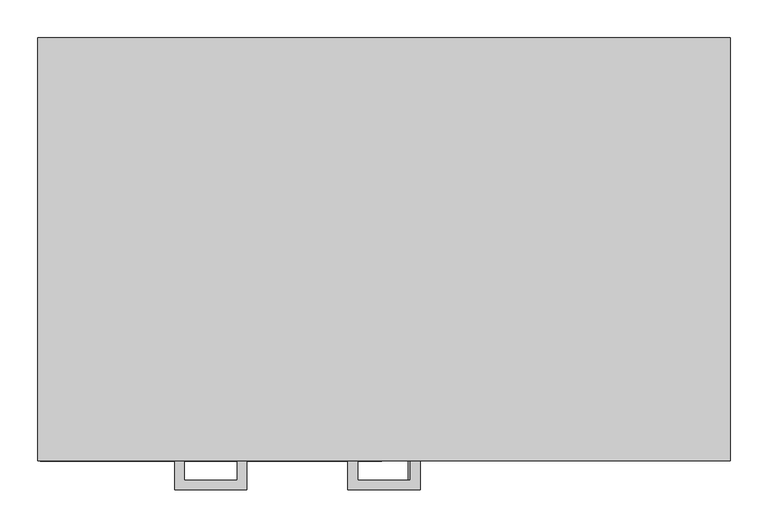
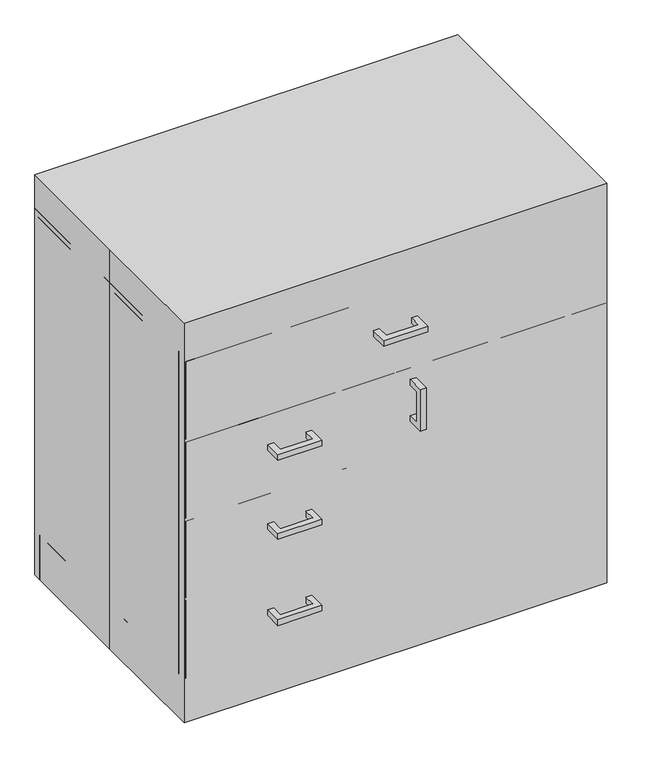
"""IFC4 building model written with IfcOpenShell, lengths in millimetres: proxy geometry."""

from ifc_helpers import new_model, si_unit, frame, origin, origin_with_axes, place, context, project, spatial, polyline, outline, extrude, source, transform, mapped, element, save


def specialty_equipment_6ad13286(model_context):
    return source(origin(), model_context, "Body", "SweptSolid", [
        extrude(outline(polyline([(-317.5, 614.3543692), (-279.4, 614.3543692), (-279.4, 601.6702991), (-304.8159299, 601.6702991), (-304.8159299, 531.7884392), (-279.4, 531.7884392), (-279.4, 519.1043692), (-317.5, 519.1043692), (-317.5, 614.3543692)])), frame((31.75, 0.0, 0.0), z_axis=(1.0, 0.0, 0.0), x_axis=(0.0, 1.0, 0.0)), (0.0, 0.0, 1.0), 12.7),
        extrude(outline(polyline([(-180.975, -317.5), (-276.225, -317.5), (-276.225, -279.4), (-263.5409299, -279.4), (-263.5409299, -304.8159299), (-193.6590701, -304.8159299), (-193.6590701, -279.4), (-180.975, -279.4), (-180.975, -317.5)])), frame((0.0, 0.0, 379.4125), z_axis=(0.0, 0.0, 1.0), x_axis=(1.0, 0.0, 0.0)), (0.0, 0.0, 1.0), 12.7),
        extrude(outline(polyline([(-180.975, -317.5), (-276.225, -317.5), (-276.225, -279.4), (-263.5409299, -279.4), (-263.5409299, -304.8159299), (-193.6590701, -304.8159299), (-193.6590701, -279.4), (-180.975, -279.4), (-180.975, -317.5)])), frame((0.0, 0.0, 560.3793692), z_axis=(0.0, 0.0, 1.0), x_axis=(1.0, 0.0, 0.0)), (0.0, 0.0, 1.0), 12.7),
        extrude(outline(polyline([(-180.975, -317.5), (-276.225, -317.5), (-276.225, -279.4), (-263.5409299, -279.4), (-263.5409299, -304.8159299), (-193.6590701, -304.8159299), (-193.6590701, -279.4), (-180.975, -279.4), (-180.975, -317.5)])), frame((0.0, 0.0, 182.5787617), z_axis=(0.0, 0.0, 1.0), x_axis=(1.0, 0.0, 0.0)), (0.0, 0.0, 1.0), 12.7),
        extrude(outline(polyline([(47.625, -317.5), (-47.625, -317.5), (-47.625, -279.4), (-34.9409299, -279.4), (-34.9409299, -304.8159299), (34.9409299, -304.8159299), (34.9409299, -279.4), (47.625, -279.4), (47.625, -317.5)])), frame((0.0, 0.0, 741.3462383), z_axis=(0.0, 0.0, 1.0), x_axis=(1.0, 0.0, 0.0)), (0.0, 0.0, 1.0), 12.7),
        extrude(outline(polyline([(-457.2, 279.4), (457.2, 279.4), (457.2, -279.4), (-457.2, -279.4), (-457.2, 0.0), (-457.2, 279.4)])), origin_with_axes(), (0.0, 0.0, 1.0), 914.4),
        extrude(outline(polyline([(438.15, 279.4), (438.15, -260.35), (-438.15, -260.35), (-438.15, 279.4), (438.15, 279.4)])), frame((0.0, 0.0, 120.7166954), z_axis=(0.0, 0.0, 1.0), x_axis=(1.0, 0.0, 0.0)), (0.0, 0.0, 1.0), 704.7507813),
        extrude(outline(polyline([(-3.175, -279.4), (-454.025, -279.4), (-454.025, -260.35), (-3.175, -260.35), (-3.175, -279.4)])), frame((0.0, 0.0, 285.7418692), z_axis=(0.0, 0.0, 1.0), x_axis=(1.0, 0.0, 0.0)), (0.0, 0.0, 1.0), 174.6168692),
        extrude(outline(polyline([(-3.175, -279.4), (-454.025, -279.4), (-454.025, -260.35), (-3.175, -260.35), (-3.175, -279.4)])), frame((0.0, 0.0, 466.7087383), z_axis=(0.0, 0.0, 1.0), x_axis=(1.0, 0.0, 0.0)), (0.0, 0.0, 1.0), 174.6168692),
        extrude(outline(polyline([(-3.175, -279.4), (-454.025, -279.4), (-454.025, -260.35), (-3.175, -260.35), (-3.175, -279.4)])), frame((0.0, 0.0, 101.6), z_axis=(0.0, 0.0, 1.0), x_axis=(1.0, 0.0, 0.0)), (0.0, 0.0, 1.0), 177.7918692),
        extrude(outline(polyline([(-438.15, 279.4), (-438.15, -260.35), (-457.2, -260.35), (-457.2, 279.4), (-438.15, 279.4)])), frame((0.0, 0.0, 101.6), z_axis=(0.0, 0.0, 1.0), x_axis=(1.0, 0.0, 0.0)), (0.0, 0.0, 1.0), 723.8674767),
        extrude(outline(polyline([(454.025, -279.4), (-454.025, -279.4), (-454.025, -260.35), (454.025, -260.35), (454.025, -279.4)])), frame((0.0, 0.0, 647.6756075), z_axis=(0.0, 0.0, 1.0), x_axis=(1.0, 0.0, 0.0)), (0.0, 0.0, 1.0), 177.7918692),
        extrude(outline(polyline([(454.025, -279.4), (3.175, -279.4), (3.175, -260.35), (454.025, -260.35), (454.025, -279.4)])), frame((0.0, 0.0, 101.6), z_axis=(0.0, 0.0, 1.0), x_axis=(1.0, 0.0, 0.0)), (0.0, 0.0, 1.0), 539.7256075),
        extrude(outline(polyline([(-457.2, -184.15), (-457.2, 279.4), (-438.15, 279.4), (-438.15, -184.15), (-457.2, -184.15)])), origin_with_axes(), (0.0, 0.0, 1.0), 101.6),
        extrude(outline(polyline([(438.15, -184.15), (438.15, 279.4), (457.2, 279.4), (457.2, -184.15), (438.15, -184.15)])), origin_with_axes(), (0.0, 0.0, 1.0), 101.6),
        extrude(outline(polyline([(438.15, -260.35), (438.15, 279.4), (457.2, 279.4), (457.2, -260.35), (438.15, -260.35)])), frame((0.0, 0.0, 101.6), z_axis=(0.0, 0.0, 1.0), x_axis=(1.0, 0.0, 0.0)), (0.0, 0.0, 1.0), 723.8674767),
        extrude(outline(polyline([(-457.2, -260.35), (-457.2, 279.4), (-438.15, 279.4), (-438.15, -260.35), (-457.2, -260.35)])), frame((0.0, 0.0, 101.6), z_axis=(0.0, 0.0, 1.0), x_axis=(1.0, 0.0, 0.0)), (0.0, 0.0, 1.0), 723.8674767),
        extrude(outline(polyline([(457.2, 279.4), (457.2, -260.35), (-457.2, -260.35), (-457.2, 279.4), (457.2, 279.4)])), frame((0.0, 0.0, 825.4674767), z_axis=(0.0, 0.0, 1.0), x_axis=(1.0, 0.0, 0.0)), (0.0, 0.0, 1.0), 12.7325233),
        extrude(outline(polyline([(457.2, -203.2), (-457.2, -203.2), (-457.2, -184.15), (457.2, -184.15), (457.2, -203.2)])), origin_with_axes(), (0.0, 0.0, 1.0), 101.6),
        extrude(outline(polyline([(457.2, 260.35), (-457.2, 260.35), (-457.2, 279.4), (457.2, 279.4), (457.2, 260.35)])), origin_with_axes(), (0.0, 0.0, 1.0), 101.6),
        extrude(outline(polyline([(438.15, 260.35), (438.15, -260.35), (-438.15, -260.35), (-438.15, 260.35), (438.15, 260.35)])), frame((0.0, 0.0, 101.6), z_axis=(0.0, 0.0, 1.0), x_axis=(1.0, 0.0, 0.0)), (0.0, 0.0, 1.0), 19.1166954),
        extrude(outline(polyline([(438.15, 260.35), (-438.15, 260.35), (-438.15, 279.4), (438.15, 279.4), (438.15, 260.35)])), frame((0.0, 0.0, 101.6), z_axis=(0.0, 0.0, 1.0), x_axis=(1.0, 0.0, 0.0)), (0.0, 0.0, 1.0), 704.8174767),
    ])


if __name__ == "__main__":
    model = new_model("IFC4")
    model_context = context("Model", 3, world=origin())
    ifc_project = project(units=[si_unit("LENGTHUNIT", "METRE", prefix="MILLI")], contexts=[model_context])
    site = spatial("IfcSite", under=ifc_project)
    building = spatial("IfcBuilding", under=site)
    placement = place(None, origin())
    specialty_equipment_shape = specialty_equipment_6ad13286(model_context)
    element("IfcBuildingElementProxy", 1, Name="Specialty Equipment", at=placement, inside=building, context=model_context, shape_type="MappedRepresentation", body=[
        mapped(specialty_equipment_shape, transform((0.0, 0.0, 0.0), x_axis=(1.0, 0.0, 0.0), y_axis=(0.0, 1.0, 0.0), z_axis=(0.0, 0.0, 1.0))),
    ])
    save(model, "model.ifc")
